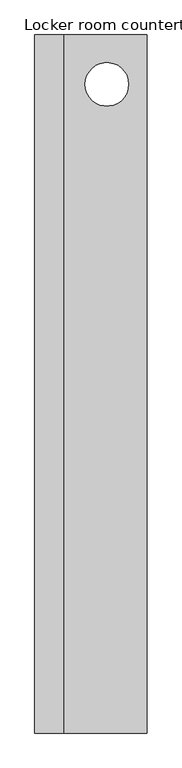
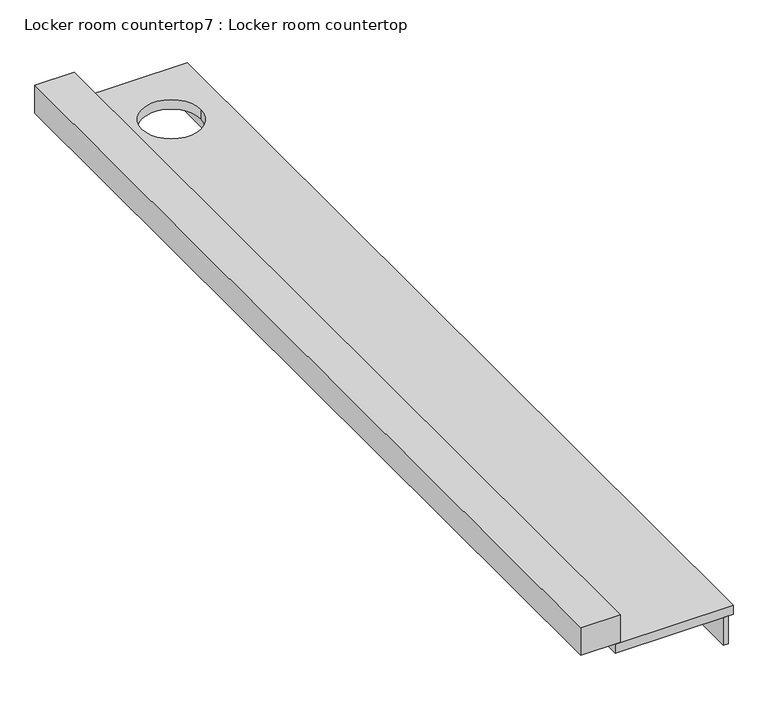
"""IFC4 building model written with IfcOpenShell, lengths in millimetres: furniture geometry, Locker room countertop7 : Locker room countertop."""

from ifc_helpers import new_model, si_unit, point, frame, frame_2d, origin, place, context, project, spatial, polyline, circle_curve, trimmed, segment, composite_curve, outline, extrude, source, transform, mapped, element, save


def locker_room_countertop7_locker_room_countertop_b532f689(model_context):
    return source(origin(), model_context, "Body", "SweptSolid", [
        extrude(outline(polyline([(464840.4254676, -325202.3733948), (464815.0254676, -325202.3733948), (464815.0254676, -320318.6205223), (464840.4254676, -320318.6205223), (464840.4254676, -325202.3733948)])), frame((0.0, 0.0, 660.4), z_axis=(0.0, 0.0, 1.0), x_axis=(1.0, 0.0, 0.0)), (0.0, 0.0, 1.0), 152.4),
        extrude(outline(polyline([(464281.6254676, -320318.6205223), (464281.6254676, -325202.3733948), (464078.4254676, -325202.3733948), (464078.4254676, -320318.6205223), (464281.6254676, -320318.6205223)])), frame((0.0, 0.0, 863.6), z_axis=(0.0, 0.0, 1.0), x_axis=(1.0, 0.0, 0.0)), (0.0, 0.0, 1.0), 152.4),
        extrude(outline(polyline([(464865.8254676, -320318.6205223), (464865.8254676, -325202.3733948), (464256.2254676, -325202.3733948), (464256.2254676, -320318.6205223), (464865.8254676, -320318.6205223)]), holes=[composite_curve([segment(trimmed(circle_curve(frame_2d((464583.6367195, -320664.2700389)), 152.4), [point((464431.2367195, -320664.2700389))], [point((464736.0367195, -320664.2700389))], True, "CARTESIAN"), True, "CONTINUOUS"), segment(trimmed(circle_curve(frame_2d((464583.6367195, -320664.2700389)), 152.4), [point((464736.0367195, -320664.2700389))], [point((464431.2367195, -320664.2700389))], True, "CARTESIAN"), True, "CONTINUOUS")], self_intersect=False)]), frame((0.0, 0.0, 812.8), z_axis=(0.0, 0.0, 1.0), x_axis=(1.0, 0.0, 0.0)), (0.0, 0.0, 1.0), 50.8),
    ])


if __name__ == "__main__":
    model = new_model("IFC4")
    model_context = context("Model", 3, world=origin())
    ifc_project = project(units=[si_unit("LENGTHUNIT", "METRE", prefix="MILLI")], contexts=[model_context])
    site = spatial("IfcSite", under=ifc_project)
    building = spatial("IfcBuilding", under=site)
    placement = place(None, origin())
    locker_room_countertop7_locker_room_countertop_shape = locker_room_countertop7_locker_room_countertop_b532f689(model_context)
    element("IfcFurniture", 1, ObjectType="Locker room countertop7 : Locker room countertop", at=placement, inside=building, context=model_context, shape_type="MappedRepresentation", body=[
        mapped(locker_room_countertop7_locker_room_countertop_shape, transform((0.0, 0.0, 0.0), x_axis=(1.0, 0.0, 0.0), y_axis=(0.0, 1.0, 0.0), z_axis=(0.0, 0.0, 1.0))),
    ])
    save(model, "model.ifc")
